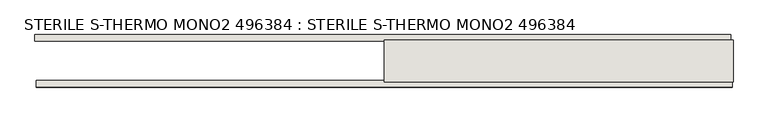
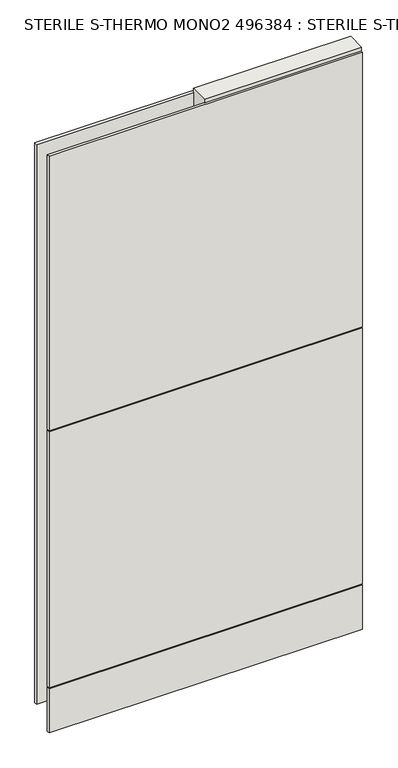
"""IFC4 building model written with IfcOpenShell, lengths in millimetres: wall geometry, STERILE S-THERMO MONO2 496384 : STERILE S-THERMO MONO2 496384."""

from ifc_helpers import new_model, si_unit, frame, origin, place, context, project, spatial, polyline, outline, extrude, source, transform, mapped, element, save


def sterile_s_thermo_mono2_496384_sterile_s_thermo_mono2_496384_9d15edfb(model_context):
    return source(origin(), model_context, "Body", "SweptSolid", [
        extrude(outline(polyline([(60593.9621748, -45023.6474684), (60591.4221748, -45023.6474684), (60591.4221748, -45021.1074684), (60593.9621748, -45021.1074684), (60593.9621748, -45023.6474684)])), frame((0.0, 0.0, 4419.6), z_axis=(0.0, 0.0, 1.0), x_axis=(1.0, 0.0, 0.0)), (0.0, 0.0, 1.0), 2.54),
        extrude(outline(polyline([(59240.0397874, -44971.5774684), (60589.4955594, -44971.5774684), (60589.4955594, -44984.2774684), (59240.0397874, -44984.2774684), (59240.0397874, -44971.5774684)])), frame((0.0, 0.0, 4445.0), z_axis=(0.0, 0.0, 1.0), x_axis=(1.0, 0.0, 0.0)), (0.0, 0.0, 1.0), 2545.0498756),
        extrude(outline(polyline([(60591.9636266, -45073.1774684), (59242.5078546, -45073.1774684), (59242.5078546, -45060.4774684), (60591.9636266, -45060.4774684), (60591.9636266, -45073.1774684)])), frame((0.0, 0.0, 4573.9999706), z_axis=(0.0, 0.0, 1.0), x_axis=(1.0, 0.0, 0.0)), (0.0, 0.0, 1.0), 1164.400008),
        extrude(outline(polyline([(60591.9636266, -45073.1774684), (59242.5078546, -45073.1774684), (59242.5078546, -45060.4774684), (60591.9636266, -45060.4774684), (60591.9636266, -45073.1774684)])), frame((0.0, 0.0, 4368.1000014), z_axis=(0.0, 0.0, 1.0), x_axis=(1.0, 0.0, 0.0)), (0.0, 0.0, 1.0), 201.9000026),
        extrude(outline(polyline([(60591.9636266, -45073.1774684), (59242.5078546, -45073.1774684), (59242.5078546, -45060.4774684), (60591.9636266, -45060.4774684), (60591.9636266, -45073.1774684)])), frame((0.0, 0.0, 5742.4000722), z_axis=(0.0, 0.0, 1.0), x_axis=(1.0, 0.0, 0.0)), (0.0, 0.0, 1.0), 1247.649905),
        extrude(outline(polyline([(60593.9634194, -44997.2937238), (59917.229543, -44997.2937238), (59917.229543, -44992.2149684), (60593.9634194, -44992.2149684), (60593.9634194, -44997.2937238)])), frame((0.0, 0.0, 4418.6602), z_axis=(0.0, 0.0, 1.0), x_axis=(1.0, 0.0, 0.0)), (0.0, 0.0, 1.0), 47.625),
        extrude(outline(polyline([(60593.9634194, -44997.2937238), (59917.229543, -44997.2937238), (59917.229543, -44992.2149684), (60593.9634194, -44992.2149684), (60593.9634194, -44997.2937238)])), frame((0.0, 0.0, 4418.6602), z_axis=(0.0, 0.0, 1.0), x_axis=(1.0, 0.0, 0.0)), (0.0, 0.0, 1.0), 47.625),
        extrude(outline(polyline([(59917.229543, -45047.4581142), (60593.9634194, -45047.4581142), (60593.9634194, -45052.5399684), (59917.229543, -45052.5399684), (59917.229543, -45047.4581142)])), frame((0.0, 0.0, 4418.6602), z_axis=(0.0, 0.0, 1.0), x_axis=(1.0, 0.0, 0.0)), (0.0, 0.0, 1.0), 47.625),
        extrude(outline(polyline([(59917.229543, -45047.4581142), (60593.9634194, -45047.4581142), (60593.9634194, -45052.5399684), (59917.229543, -45052.5399684), (59917.229543, -45047.4581142)])), frame((0.0, 0.0, 4418.6602), z_axis=(0.0, 0.0, 1.0), x_axis=(1.0, 0.0, 0.0)), (0.0, 0.0, 1.0), 47.625),
        extrude(outline(polyline([(60593.9634194, -44981.7504986), (60593.9634194, -45063.029254), (59917.229543, -45063.029254), (59917.229543, -44981.7504986), (60593.9634194, -44981.7504986)])), frame((0.0, 0.0, 4445.0), z_axis=(0.0, 0.0, 1.0), x_axis=(1.0, 0.0, 0.0)), (0.0, 0.0, 1.0), 2562.4536762),
    ])


if __name__ == "__main__":
    model = new_model("IFC4")
    model_context = context("Model", 3, world=origin())
    ifc_project = project(units=[si_unit("LENGTHUNIT", "METRE", prefix="MILLI")], contexts=[model_context])
    site = spatial("IfcSite", under=ifc_project)
    building = spatial("IfcBuilding", under=site)
    placement = place(None, origin())
    sterile_s_thermo_mono2_496384_sterile_s_thermo_mono2_496384_shape = sterile_s_thermo_mono2_496384_sterile_s_thermo_mono2_496384_9d15edfb(model_context)
    element("IfcWall", 1, ObjectType="STERILE S-THERMO MONO2 496384 : STERILE S-THERMO MONO2 496384", at=placement, inside=building, context=model_context, shape_type="MappedRepresentation", body=[
        mapped(sterile_s_thermo_mono2_496384_sterile_s_thermo_mono2_496384_shape, transform((0.0, 0.0, 0.0), x_axis=(1.0, 0.0, 0.0), y_axis=(0.0, 1.0, 0.0), z_axis=(0.0, 0.0, 1.0))),
    ])
    save(model, "model.ifc")
